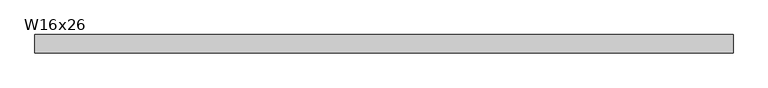
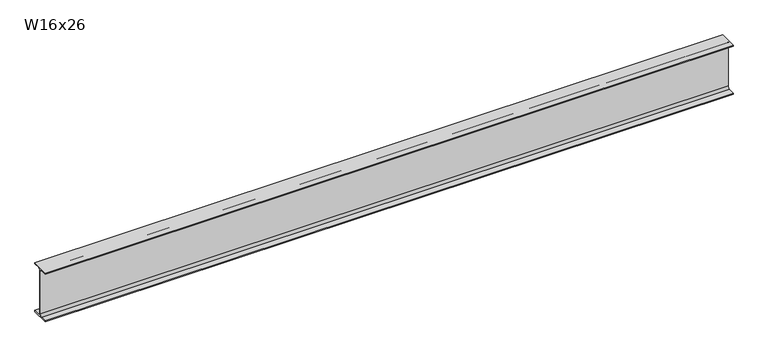
"""IFC4 building model written with IfcOpenShell, lengths in millimetres: beam geometry, W16x26."""

import ifcopenshell
import ifcopenshell.guid

model = None  # the IFC model being written
_history = None  # IfcOwnerHistory: only IFC2X3 demands one
_inside = {}  # id of a spatial element -> (the spatial element, [elements in it])
_under = {}  # id of a project, library or spatial element -> (it, [spatial elements below it])
_declared = {}  # id of a project -> (the project, [libraries it declares])
_typed = {}  # id of a type object -> (the type object, [elements of that type])
_made_of = {}  # id of a material, layer set ... -> (it, [elements and type objects made of it])


def new_model(schema):
    """Start an empty IFC model of exactly this schema.

    Asked for "IFC4X3", IfcOpenShell would pick the latest addendum, in which some entities
    have other attributes; the version numbers below select the first issue.
    IFC2X3 requires an IfcOwnerHistory on every rooted entity: one is made here for all.
    """
    global model, _history
    if schema == "IFC4X3":
        model = ifcopenshell.file(schema_version=(4, 3, 0, 0))
    else:
        model = ifcopenshell.file(schema=schema)
    _inside.clear()
    _under.clear()
    _declared.clear()
    _typed.clear()
    _made_of.clear()
    _history = None
    if model.schema == "IFC2X3":
        org = make("IfcOrganization", Name="unknown")
        user = make(
            "IfcPersonAndOrganization",
            ThePerson=make("IfcPerson", FamilyName="unknown"),
            TheOrganization=org,
        )
        app = make(
            "IfcApplication",
            ApplicationDeveloper=org,
            Version="unknown",
            ApplicationFullName="unknown",
            ApplicationIdentifier="unknown",
        )
        _history = make(
            "IfcOwnerHistory",
            OwningUser=user,
            OwningApplication=app,
            ChangeAction="ADDED",
            CreationDate=0,
        )
    return model


def make(cls, **values):
    """One entity of the class cls with the attributes given. An attribute that is None is left unset."""
    return model.create_entity(
        cls, **{name: value for name, value in values.items() if value is not None}
    )


def rooted(cls, **values):
    """An entity with a GlobalId (a new one), such as an element, a storey or a relation."""
    return make(cls, GlobalId=ifcopenshell.guid.new(), OwnerHistory=_history, **values)


def si_unit(unit_type, name, prefix=None):
    """IfcSIUnit, for example si_unit("LENGTHUNIT", "METRE", prefix="MILLI")."""
    return make("IfcSIUnit", UnitType=unit_type, Prefix=prefix, Name=name)


def assignment(units):
    """IfcUnitAssignment: the units of a project."""
    return None if units is None else make("IfcUnitAssignment", Units=units)


def point(xyz):
    """IfcCartesianPoint."""
    return None if xyz is None else make("IfcCartesianPoint", Coordinates=xyz)


def direction(xyz):
    """IfcDirection."""
    return None if xyz is None else make("IfcDirection", DirectionRatios=xyz)


def frame(location, z_axis=None, x_axis=None):
    """IfcAxis2Placement3D, a coordinate frame: its origin and axes. An axis left out is left unset."""
    return make(
        "IfcAxis2Placement3D",
        Location=point(location),
        Axis=direction(z_axis),
        RefDirection=direction(x_axis),
    )


def frame_2d(location, x_axis=None):
    """IfcAxis2Placement2D, a coordinate frame in the plane: its origin and x axis."""
    return make(
        "IfcAxis2Placement2D", Location=point(location), RefDirection=direction(x_axis)
    )


def origin():
    """The frame at (0, 0, 0) with its axes left unset."""
    return frame((0.0, 0.0, 0.0))


def place(relative_to, where):
    """IfcLocalPlacement: puts the frame where relative to a parent placement (None: the world)."""
    return make(
        "IfcLocalPlacement", PlacementRelTo=relative_to, RelativePlacement=where
    )


def context(
    kind, dimensions, precision=None, world=None, true_north=None, identifier=None
):
    """IfcGeometricRepresentationContext, for example the 3D "Model" context."""
    return make(
        "IfcGeometricRepresentationContext",
        ContextIdentifier=identifier,
        ContextType=kind,
        CoordinateSpaceDimension=dimensions,
        Precision=precision,
        WorldCoordinateSystem=world,
        TrueNorth=true_north,
    )


def project(units=None, contexts=None):
    """IfcProject with its units and contexts."""
    return rooted(
        "IfcProject",
        Name="project",
        RepresentationContexts=contexts,
        UnitsInContext=assignment(units),
    )


def spatial(cls, under=None, at=None, **own):
    """A site, building, storey or space (cls), placed at a placement, below another one or the project."""
    s = rooted(cls, ObjectPlacement=at, **own)
    if under is not None:
        _under.setdefault(under.id(), (under, []))[1].append(s)
    return s


def polyline(points):
    """IfcPolyline through the points."""
    return make("IfcPolyline", Points=[point(p) for p in points])


def circle_curve(where, radius):
    """IfcCircle in the frame where."""
    return make("IfcCircle", Position=where, Radius=radius)


def trimmed(basis, trim1, trim2, sense, master):
    """IfcTrimmedCurve: the piece of a basis curve between two trims."""
    return make(
        "IfcTrimmedCurve",
        BasisCurve=basis,
        Trim1=trim1,
        Trim2=trim2,
        SenseAgreement=sense,
        MasterRepresentation=master,
    )


def segment(curve, same_sense, transition):
    """IfcCompositeCurveSegment."""
    return make(
        "IfcCompositeCurveSegment",
        Transition=transition,
        SameSense=same_sense,
        ParentCurve=curve,
    )


def composite_curve(segments, self_intersect=None):
    """IfcCompositeCurve: segments joined end to end."""
    return make("IfcCompositeCurve", Segments=segments, SelfIntersect=self_intersect)


def outline(outer, holes=None, kind="AREA"):
    """IfcArbitraryClosedProfileDef: a profile drawn as a closed curve; with holes, ...WithVoids."""
    if holes is None:
        return make("IfcArbitraryClosedProfileDef", ProfileType=kind, OuterCurve=outer)
    return make(
        "IfcArbitraryProfileDefWithVoids",
        ProfileType=kind,
        OuterCurve=outer,
        InnerCurves=holes,
    )


def extrude(swept, where, along, depth):
    """IfcExtrudedAreaSolid: the profile swept, set in the frame where, extruded along a direction by depth."""
    return make(
        "IfcExtrudedAreaSolid",
        SweptArea=swept,
        Position=where,
        ExtrudedDirection=direction(along),
        Depth=depth,
    )


def shape(context_of_items, identifier, shape_type, items):
    """IfcShapeRepresentation: the items that make up one representation, for example the "Body"."""
    return make(
        "IfcShapeRepresentation",
        ContextOfItems=context_of_items,
        RepresentationIdentifier=identifier,
        RepresentationType=shape_type,
        Items=items,
    )


def source(mapping_origin, context_of_items, identifier, shape_type, items):
    """IfcRepresentationMap: a shape defined once, which mapped items show again and again."""
    return make(
        "IfcRepresentationMap",
        MappingOrigin=mapping_origin,
        MappedRepresentation=shape(context_of_items, identifier, shape_type, items),
    )


def transform(
    local_origin,
    x_axis=None,
    y_axis=None,
    z_axis=None,
    scale=None,
    scale2=None,
    scale3=None,
    uniform=True,
):
    """IfcCartesianTransformationOperator3D, or its non-uniform kind. x_axis, y_axis, z_axis: its Axis1, 2, 3."""
    if uniform:
        return make(
            "IfcCartesianTransformationOperator3D",
            Axis1=direction(x_axis),
            Axis2=direction(y_axis),
            LocalOrigin=point(local_origin),
            Scale=scale,
            Axis3=direction(z_axis),
        )
    return make(
        "IfcCartesianTransformationOperator3DnonUniform",
        Axis1=direction(x_axis),
        Axis2=direction(y_axis),
        LocalOrigin=point(local_origin),
        Scale=scale,
        Axis3=direction(z_axis),
        Scale2=scale2,
        Scale3=scale3,
    )


def mapped(mapping_source, mapping_target):
    """IfcMappedItem: shows the shape of a source again, moved by a transform."""
    return make(
        "IfcMappedItem", MappingSource=mapping_source, MappingTarget=mapping_target
    )


def made_of(thing, what):
    """Note that an element or type object is made of a material, layer set ...; save() writes the relation."""
    if what is not None:
        _made_of.setdefault(what.id(), (what, []))[1].append(thing)
    return thing


def element(
    cls,
    number,
    at=None,
    inside=None,
    cuts=None,
    type_object=None,
    material=None,
    context=None,
    identifier="Body",
    shape_type=None,
    held_by="IfcProductDefinitionShape",
    body=None,
    shapes=None,
    **own,
):
    """One element of the class cls, such as IfcWall. Its Tag is "e" and its number.

    at: its placement. inside: the storey or other place that contains it. cuts: it is an
    opening in that element (IfcRelVoidsElement). A single representation is given by context,
    identifier, shape_type and body (its items); several are given by shapes. held_by: the class
    of the entity that holds the representations. save() writes the other relations.
    """
    e = rooted(cls, Tag="e%d" % number, ObjectPlacement=at, **own)
    if body is not None:
        shapes = [shape(context, identifier, shape_type, body)]
    if shapes is not None:
        e.Representation = make(held_by, Representations=shapes)
    if inside is not None:
        _inside.setdefault(inside.id(), (inside, []))[1].append(e)
    if cuts is not None:
        rooted(
            "IfcRelVoidsElement", RelatingBuildingElement=cuts, RelatedOpeningElement=e
        )
    if type_object is not None:
        _typed.setdefault(type_object.id(), (type_object, []))[1].append(e)
    return made_of(e, material)


def aggregate(whole, parts):
    """IfcRelAggregates: a whole, such as a stair, and the parts it consists of."""
    return rooted("IfcRelAggregates", RelatingObject=whole, RelatedObjects=parts)


def save(model, path):
    """Write the relations noted so far, then the file.

    IfcRelAggregates (storeys below a building ...), IfcRelContainedInSpatialStructure (elements
    in a storey), IfcRelDefinesByType, IfcRelAssociatesMaterial and IfcRelDeclares: one each for
    every whole, place, type object, material and project.
    """
    for whole, parts in _under.values():
        aggregate(whole, parts)
    for where, things in _inside.values():
        rooted(
            "IfcRelContainedInSpatialStructure",
            RelatedElements=things,
            RelatingStructure=where,
        )
    for kind, things in _typed.values():
        rooted("IfcRelDefinesByType", RelatedObjects=things, RelatingType=kind)
    for what, things in _made_of.values():
        rooted("IfcRelAssociatesMaterial", RelatedObjects=things, RelatingMaterial=what)
    for by, libraries in _declared.values():
        rooted("IfcRelDeclares", RelatingContext=by, RelatedDefinitions=libraries)
    model.write(path)


def w16x26_c3a1a806(model_context):
    return source(origin(), model_context, "Body", "SweptSolid", [
        extrude(outline(composite_curve([segment(polyline([(69.85, -190.627), (69.85, -199.39), (-69.85, -199.39), (-69.85, -190.627), (-21.3995, -190.627)]), True, "CONTINUOUS"), segment(trimmed(circle_curve(frame_2d((-21.3995, -172.4025)), 18.2245), [point((-21.3995, -190.627))], [point((-3.175, -172.4025))], True, "CARTESIAN"), True, "CONTINUOUS"), segment(polyline([(-3.175, -172.4025), (-3.175, 172.4025)]), True, "CONTINUOUS"), segment(trimmed(circle_curve(frame_2d((-21.3995, 172.4025)), 18.2245), [point((-3.175, 172.4025))], [point((-21.3995, 190.627))], True, "CARTESIAN"), True, "CONTINUOUS"), segment(polyline([(-21.3995, 190.627), (-69.85, 190.627), (-69.85, 199.39), (69.85, 199.39), (69.85, 190.627), (21.3995, 190.627)]), True, "CONTINUOUS"), segment(trimmed(circle_curve(frame_2d((21.3995, 172.4025)), 18.2245), [point((21.3995, 190.627))], [point((3.175, 172.4025))], True, "CARTESIAN"), True, "CONTINUOUS"), segment(polyline([(3.175, 172.4025), (3.175, -172.4025)]), True, "CONTINUOUS"), segment(trimmed(circle_curve(frame_2d((21.3995, -172.4025)), 18.2245), [point((3.175, -172.4025))], [point((21.3995, -190.627))], True, "CARTESIAN"), True, "CONTINUOUS"), segment(polyline([(21.3995, -190.627), (69.85, -190.627)]), True, "CONTINUOUS")], self_intersect=False)), frame((-2654.3, 0.0, 0.0), z_axis=(1.0, 0.0, 0.0), x_axis=(0.0, 1.0, 0.0)), (0.0, 0.0, 1.0), 5308.6),
    ])


if __name__ == "__main__":
    model = new_model("IFC4")
    model_context = context("Model", 3, world=origin())
    ifc_project = project(units=[si_unit("LENGTHUNIT", "METRE", prefix="MILLI")], contexts=[model_context])
    site = spatial("IfcSite", under=ifc_project)
    building = spatial("IfcBuilding", under=site)
    placement = place(None, origin())
    w16x26_shape = w16x26_c3a1a806(model_context)
    element("IfcBeam", 1, ObjectType="W16x26", at=placement, inside=building, context=model_context, shape_type="MappedRepresentation", body=[
        mapped(w16x26_shape, transform((0.0, 0.0, 0.0), x_axis=(1.0, 0.0, 0.0), y_axis=(0.0, 1.0, 0.0), z_axis=(0.0, 0.0, 1.0))),
    ])
    save(model, "model.ifc")
